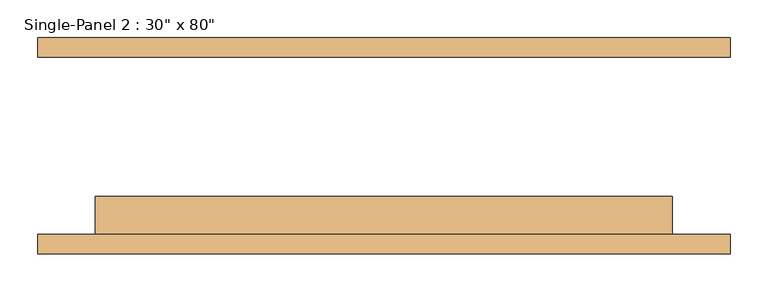
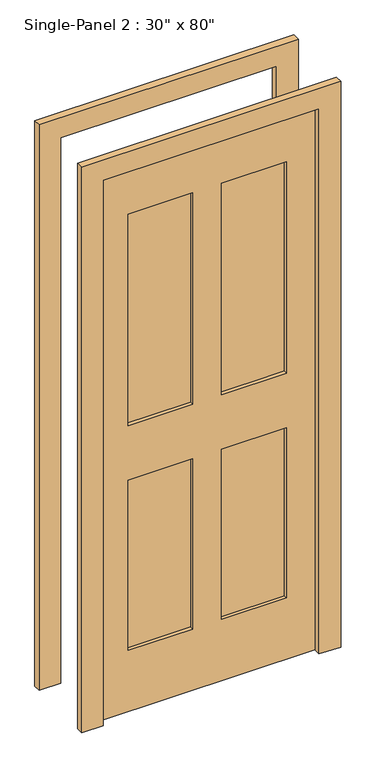
"""IFC4 building model written with IfcOpenShell, lengths in millimetres: door geometry."""

from ifc_helpers import new_model, si_unit, frame, origin, place, context, project, spatial, polyline, outline, extrude, source, transform, mapped, element, save


def door_70f8f3e8(model_context):
    return source(origin(), model_context, "Body", "SweptSolid", [
        extrude(outline(polyline([(-50.9240165, -79.375), (-50.9240165, -104.775), (-278.8511799, -104.775), (-278.8511799, -79.375), (-50.9240165, -79.375)])), frame((0.0, 0.0, 1068.1906173), z_axis=(0.0, 0.0, 1.0), x_axis=(1.0, 0.0, 0.0)), (0.0, 0.0, 1.0), 787.6046757),
        extrude(outline(polyline([(279.9488201, -79.375), (279.9488201, -104.775), (50.6759835, -104.775), (50.6759835, -79.375), (279.9488201, -79.375)])), frame((0.0, 0.0, 1068.1906173), z_axis=(0.0, 0.0, 1.0), x_axis=(1.0, 0.0, 0.0)), (0.0, 0.0, 1.0), 787.6046757),
        extrude(outline(polyline([(-50.9240165, -79.375), (-50.9240165, -104.775), (-278.8511799, -104.775), (-278.8511799, -79.375), (-50.9240165, -79.375)])), frame((0.0, 0.0, 230.195293), z_axis=(0.0, 0.0, 1.0), x_axis=(1.0, 0.0, 0.0)), (0.0, 0.0, 1.0), 635.0),
        extrude(outline(polyline([(279.9488201, -79.375), (279.9488201, -104.775), (50.6759835, -104.775), (50.6759835, -79.375), (279.9488201, -79.375)])), frame((0.0, 0.0, 230.195293), z_axis=(0.0, 0.0, 1.0), x_axis=(1.0, 0.0, 0.0)), (0.0, 0.0, 1.0), 634.7953243),
        extrude(outline(polyline([(2108.2, -457.2), (1.3906173, -457.2), (1.3906173, -381.1240165), (2033.3906173, -381.1240165), (2033.3906173, 380.8759835), (1.3906173, 380.8759835), (0.0, 457.2), (2108.2, 457.2), (2108.2, -457.2)])), frame((0.0, -142.875, 0.0), z_axis=(0.0, 1.0, 0.0), x_axis=(0.0, 0.0, 1.0)), (0.0, 0.0, 1.0), 25.4),
        extrude(outline(polyline([(2108.2, 457.2), (2108.2, -457.2), (1.3906173, -457.2), (1.3906173, -381.1240165), (2033.3906173, -381.1240165), (2033.3906173, 380.8759835), (1.3906173, 380.8759835), (0.0, 457.2), (2108.2, 457.2)])), frame((0.0, 117.475, 0.0), z_axis=(0.0, 1.0, 0.0), x_axis=(0.0, 0.0, 1.0)), (0.0, 0.0, 1.0), 25.4),
        extrude(outline(polyline([(2033.3906173, 380.8759835), (2033.3906173, -381.1240165), (1.3906173, -381.1240165), (1.3906173, 380.8759835), (2033.3906173, 380.8759835)]), holes=[polyline([(1855.795293, -50.9240165), (1068.1906173, -50.9240165), (1068.1906173, -278.8511799), (1855.795293, -278.8511799), (1855.795293, -50.9240165)]), polyline([(1855.795293, 279.9488201), (1068.1906173, 279.9488201), (1068.1906173, 50.6759835), (1855.795293, 50.6759835), (1855.795293, 279.9488201)]), polyline([(865.195293, -50.9240165), (230.195293, -50.9240165), (230.195293, -278.8511799), (865.195293, -278.8511799), (865.195293, -50.9240165)]), polyline([(864.9906173, 279.9488201), (230.195293, 279.9488201), (230.195293, 50.6759835), (864.9906173, 50.6759835), (864.9906173, 279.9488201)])]), frame((0.0, -117.475, 0.0), z_axis=(0.0, 1.0, 0.0), x_axis=(0.0, 0.0, 1.0)), (0.0, 0.0, 1.0), 50.8),
    ])


if __name__ == "__main__":
    model = new_model("IFC4")
    model_context = context("Model", 3, world=origin())
    ifc_project = project(units=[si_unit("LENGTHUNIT", "METRE", prefix="MILLI")], contexts=[model_context])
    site = spatial("IfcSite", under=ifc_project)
    building = spatial("IfcBuilding", under=site)
    placement = place(None, origin())
    door_shape = door_70f8f3e8(model_context)
    element("IfcDoor", 1, ObjectType="Single-Panel 2 : 30\" x 80\"", at=placement, inside=building, context=model_context, shape_type="MappedRepresentation", body=[
        mapped(door_shape, transform((0.0, 0.0, 0.0), x_axis=(1.0, 0.0, 0.0), y_axis=(0.0, 1.0, 0.0), z_axis=(0.0, 0.0, 1.0))),
    ])
    save(model, "model.ifc")
